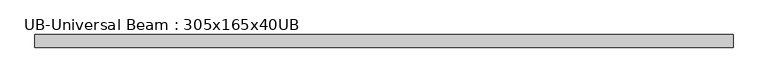
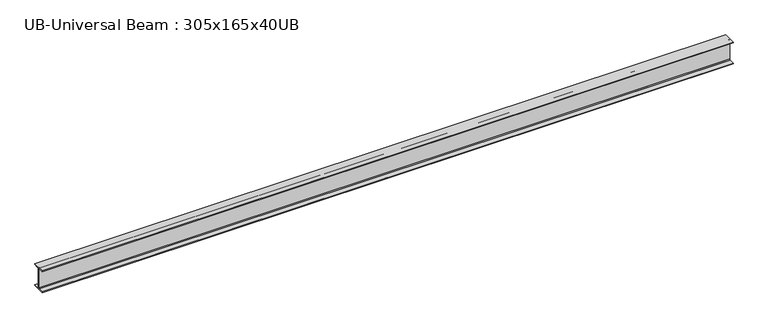
"""IFC4 building model written with IfcOpenShell, lengths in millimetres: beam geometry, UB-Universal Beam : 305x165x40UB."""

from ifc_helpers import new_model, si_unit, point, frame, frame_2d, origin, place, context, project, spatial, polyline, circle_curve, trimmed, segment, composite_curve, outline, extrude, source, transform, mapped, element, save


def ub_universal_beam_305x165x40ub_c5efdadc(model_context):
    return source(origin(), model_context, "Body", "SweptSolid", [
        extrude(outline(composite_curve([segment(polyline([(82.5, -141.5), (82.5, -151.7), (-82.5, -151.7), (-82.5, -141.5), (-11.9, -141.5)]), True, "CONTINUOUS"), segment(trimmed(circle_curve(frame_2d((-11.9, -132.6)), 8.9), [point((-11.9, -141.5))], [point((-3.0, -132.6))], True, "CARTESIAN"), True, "CONTINUOUS"), segment(polyline([(-3.0, -132.6), (-3.0, 132.6)]), True, "CONTINUOUS"), segment(trimmed(circle_curve(frame_2d((-11.9, 132.6)), 8.9), [point((-3.0, 132.6))], [point((-11.9, 141.5))], True, "CARTESIAN"), True, "CONTINUOUS"), segment(polyline([(-11.9, 141.5), (-82.5, 141.5), (-82.5, 151.7), (82.5, 151.7), (82.5, 141.5), (11.9, 141.5)]), True, "CONTINUOUS"), segment(trimmed(circle_curve(frame_2d((11.9, 132.6)), 8.9), [point((11.9, 141.5))], [point((3.0, 132.6))], True, "CARTESIAN"), True, "CONTINUOUS"), segment(polyline([(3.0, 132.6), (3.0, -132.6)]), True, "CONTINUOUS"), segment(trimmed(circle_curve(frame_2d((11.9, -132.6)), 8.9), [point((3.0, -132.6))], [point((11.9, -141.5))], True, "CARTESIAN"), True, "CONTINUOUS"), segment(polyline([(11.9, -141.5), (82.5, -141.5)]), True, "CONTINUOUS")], self_intersect=False)), frame((-4565.0879956, 0.0, 0.0), z_axis=(1.0, 0.0, 0.0), x_axis=(0.0, 1.0, 0.0)), (0.0, 0.0, 1.0), 9122.6273786),
    ])


if __name__ == "__main__":
    model = new_model("IFC4")
    model_context = context("Model", 3, world=origin())
    ifc_project = project(units=[si_unit("LENGTHUNIT", "METRE", prefix="MILLI")], contexts=[model_context])
    site = spatial("IfcSite", under=ifc_project)
    building = spatial("IfcBuilding", under=site)
    placement = place(None, origin())
    ub_universal_beam_305x165x40ub_shape = ub_universal_beam_305x165x40ub_c5efdadc(model_context)
    element("IfcBeam", 1, ObjectType="UB-Universal Beam : 305x165x40UB", at=placement, inside=building, context=model_context, shape_type="MappedRepresentation", body=[
        mapped(ub_universal_beam_305x165x40ub_shape, transform((0.0, 0.0, 0.0), x_axis=(1.0, 0.0, 0.0), y_axis=(0.0, 1.0, 0.0), z_axis=(0.0, 0.0, 1.0))),
    ])
    save(model, "model.ifc")
